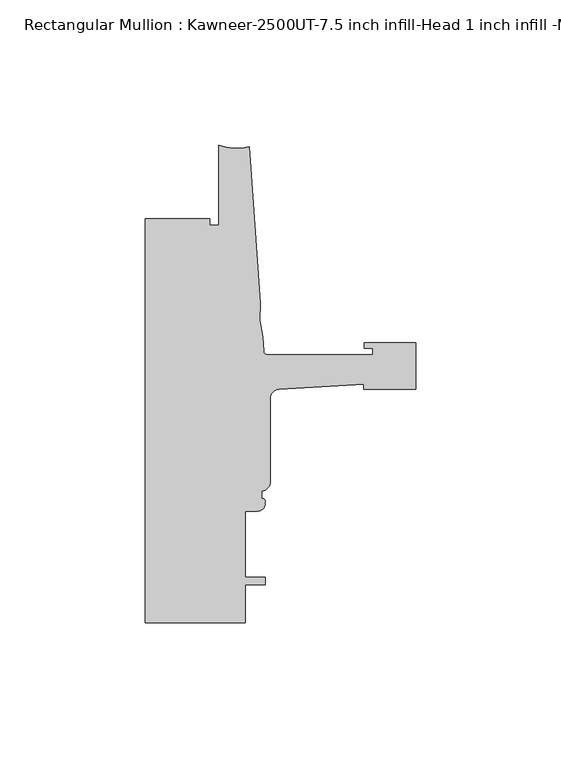
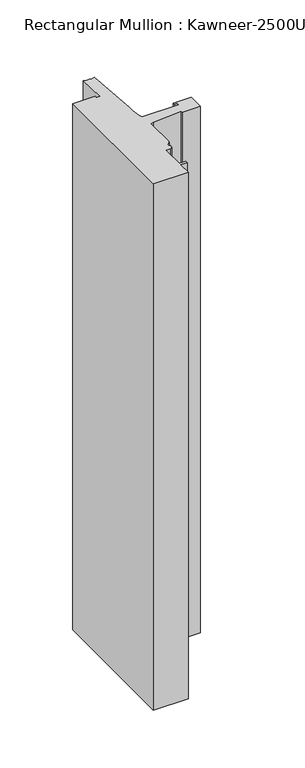
"""IFC4 building model written with IfcOpenShell, lengths in millimetres: member geometry, Rectangular Mullion : Kawneer-2500UT-7.5 inch infill-Head 1 inch infill -MODEL."""

from ifc_helpers import new_model, si_unit, point, frame, frame_2d, origin, place, context, project, spatial, polyline, circle_curve, trimmed, segment, composite_curve, outline, extrude, source, transform, mapped, element, save


def rectangular_mullion_kawneer_2500ut_7_5_inch_infill_head_1_78cf835e(model_context):
    return source(origin(), model_context, "Body", "SweptSolid", [
        extrude(outline(composite_curve([segment(polyline([(-17.9118541, -69.7206423), (-47.0897067, -71.4596926)]), True, "CONTINUOUS"), segment(trimmed(circle_curve(frame_2d((-46.9265, -74.6304951)), 3.175), [point((-47.0897067, -71.4596926))], [point((-50.1015, -74.6304951))], True, "CARTESIAN"), True, "CONTINUOUS"), segment(polyline([(-50.1015, -74.6304951), (-50.1015, -103.3419824)]), True, "CONTINUOUS"), segment(trimmed(circle_curve(frame_2d((-53.2765, -103.3419824)), 3.175), [point((-50.1015, -103.3419824))], [point((-53.0225002, -106.5068061))], False, "CARTESIAN"), True, "CONTINUOUS"), segment(polyline([(-53.0225002, -106.5068061), (-53.0225002, -109.1460704)]), True, "CONTINUOUS"), segment(trimmed(circle_curve(frame_2d((-52.9049287, -110.2079631)), 1.0683816), [point((-53.0225002, -109.1460704))], [point((-51.903048, -110.5790079))], False, "CARTESIAN"), True, "CONTINUOUS"), segment(trimmed(circle_curve(frame_2d((-54.4195002, -110.9240703)), 2.5399999), [point((-51.903048, -110.5790079))], [point((-54.4195002, -113.4640702))], False, "CARTESIAN"), True, "CONTINUOUS"), segment(polyline([(-54.4195002, -113.4640702), (-58.7375, -113.4640702), (-58.7375, -136.3240702), (-51.8795003, -136.3240702), (-51.8795003, -138.8640702), (-58.7375, -138.8640702), (-58.7375, -151.9078694), (-93.2286109, -151.9078694), (-93.2286109, -12.7163219), (-71.0036575, -12.7158694), (-71.0036109, -15.0018694), (-67.8287241, -15.0018694), (-67.8287241, 12.6841306)]), True, "CONTINUOUS"), segment(trimmed(circle_curve(frame_2d((-61.5737839, 28.2172105)), 16.7451739), [point((-67.8287241, 12.6841306))], [point((-57.2987828, 12.026929))], True, "CARTESIAN"), True, "CONTINUOUS"), segment(polyline([(-57.2987828, 12.026929), (-53.5273008, -41.9075277)]), True, "CONTINUOUS"), segment(trimmed(circle_curve(frame_2d((-22.6573046, -45.5360124)), 31.0825122), [point((-53.5273008, -41.9075277))], [point((-52.7218885, -53.4254588))], True, "CARTESIAN"), True, "CONTINUOUS"), segment(polyline([(-52.7218885, -53.4254588), (-52.3871825, -58.2119783)]), True, "CONTINUOUS"), segment(trimmed(circle_curve(frame_2d((-50.8668948, -58.1056694)), 1.524), [point((-52.3871825, -58.2119783))], [point((-50.8668948, -59.6296694))], True, "CARTESIAN"), True, "CONTINUOUS"), segment(polyline([(-50.8668948, -59.6296694), (-14.783487, -59.6296694), (-14.783487, -57.2928693), (-17.6377748, -57.2928693), (-17.6377748, -55.5148693), (0.0, -55.5148693), (0.0, -71.5168692), (-17.9118541, -71.5168692), (-17.9118541, -69.7206423)]), True, "CONTINUOUS")], self_intersect=False)), frame((0.0, 0.0, -554.0417534), z_axis=(0.0, 0.0, 1.0), x_axis=(1.0, 0.0, 0.0)), (0.0, 0.0, 1.0), 554.0417534),
    ])


if __name__ == "__main__":
    model = new_model("IFC4")
    model_context = context("Model", 3, world=origin())
    ifc_project = project(units=[si_unit("LENGTHUNIT", "METRE", prefix="MILLI")], contexts=[model_context])
    site = spatial("IfcSite", under=ifc_project)
    building = spatial("IfcBuilding", under=site)
    placement = place(None, origin())
    rectangular_mullion_kawneer_2500ut_7_5_inch_infill_head_1_shape = rectangular_mullion_kawneer_2500ut_7_5_inch_infill_head_1_78cf835e(model_context)
    element("IfcMember", 1, ObjectType="Rectangular Mullion : Kawneer-2500UT-7.5 inch infill-Head 1 inch infill -MODEL", at=placement, inside=building, context=model_context, shape_type="MappedRepresentation", body=[
        mapped(rectangular_mullion_kawneer_2500ut_7_5_inch_infill_head_1_shape, transform((0.0, 0.0, 0.0), x_axis=(1.0, 0.0, 0.0), y_axis=(0.0, 1.0, 0.0), z_axis=(0.0, 0.0, 1.0))),
    ])
    save(model, "model.ifc")
